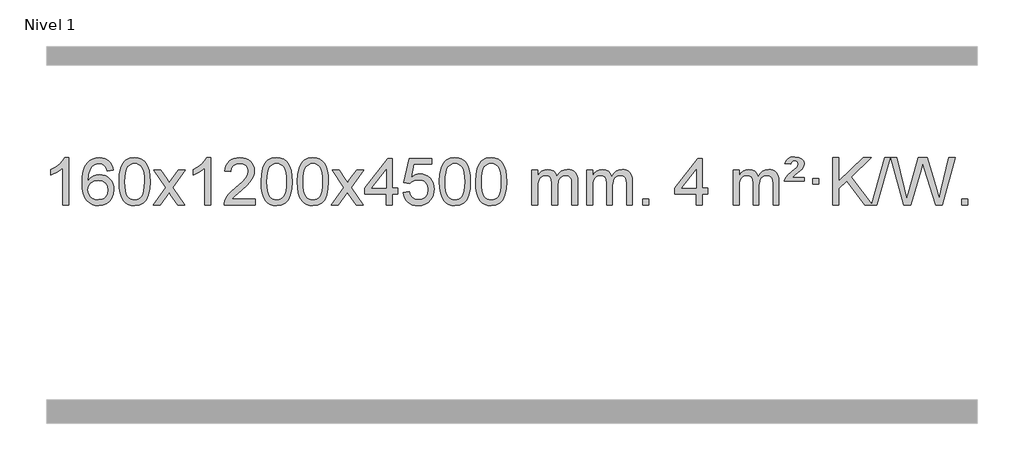
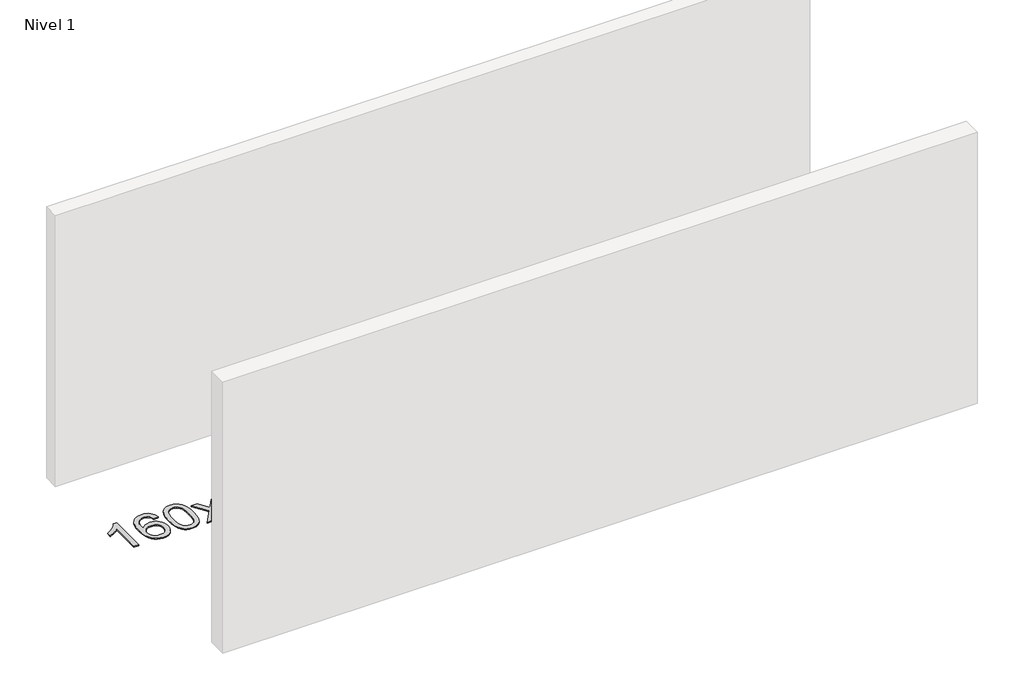
# One storey, part 3 of 7: 1 proxy.
"""IFC4 building model written with IfcOpenShell, lengths in millimetres."""

from ifc_helpers import new_model, si_unit, origin, origin_with_axes, place, context, project, spatial, polyline, outline, extrude, element, save

model = new_model("IFC4")

# Units and contexts
model_context = context("Model", 3, world=origin())
ifc_project = project(units=[si_unit("LENGTHUNIT", "METRE", prefix="MILLI")], contexts=[model_context])

# Site, building, storey
site = spatial("IfcSite", under=ifc_project)
building = spatial("IfcBuilding", under=site)
storey = spatial("IfcBuildingStorey", under=building, Name="Nivel 1", Elevation=0.0)

# Proxy
placement = place(None, origin())
element("IfcBuildingElementProxy", 1, Name="Texto de modelo 1", ObjectType="Texto de modelo 1", at=placement, inside=storey, context=model_context, shape_type="SweptSolid", body=[
    extrude(outline(polyline([(-43.1563615, -9395.579453), (-93.3845166, -9395.579453), (-93.3845166, -9082.4382987), (-114.3537903, -9099.3976587), (-140.9639213, -9116.3324932), (-193.8408268, -9141.6918254), (-193.8408268, -9094.2105225), (-154.3916142, -9072.7507395), (-120.2153768, -9047.219729), (-93.274152, -9020.0700378), (-75.5299771, -8993.7542124), (-43.1563615, -8993.7542124), (-43.1563615, -9395.579453)])), origin_with_axes(), (0.0, 0.0, 1.0), 10.0),
    extrude(outline(polyline([(333.5548015, -9100.4890419), (283.3266464, -9106.7675613), (275.2332425, -9081.874213), (264.2948846, -9064.8780648), (241.5107263, -9049.2062918), (213.9686276, -9043.9823675), (190.6203837, -9047.0235253), (168.6455658, -9056.1469988), (149.7732195, -9075.3627017), (134.3589639, -9101.8134171), (123.9479034, -9139.227016), (120.0851424, -9191.3313693), (140.2328131, -9167.8237098), (164.3781347, -9151.2567573), (191.1722066, -9141.434308), (219.2661283, -9138.1601582), (243.3991872, -9140.398107), (265.6683107, -9147.1119534), (286.0734987, -9158.3016975), (304.6147512, -9173.9673391), (320.0228755, -9193.1769106), (331.0286785, -9214.9984443), (337.6321603, -9239.4319401), (339.8333209, -9266.4773982), (335.6885171, -9302.4439945), (323.2541057, -9335.786366), (303.5601562, -9364.0642287), (277.6367382, -9384.8372987), (246.6610743, -9397.602804), (211.8103866, -9401.8579724), (181.8678579, -9399.0375437), (154.8254655, -9390.5762579), (130.6832096, -9376.4741147), (109.4410901, -9356.7311143), (92.1230451, -9330.5133908), (79.753013, -9296.9870783), (72.3309938, -9256.1521768), (69.8569874, -9208.0086864), (72.6038396, -9154.0342663), (80.8443963, -9107.9693092), (94.5786574, -9069.8138149), (113.8066231, -9039.5677835), (134.6471381, -9019.5243462), (158.8108538, -9005.2076052), (186.2977702, -8996.6175606), (217.1078873, -8993.7542124), (240.2415334, -8995.5261773), (261.1801503, -9000.8420722), (279.923738, -9009.7018969), (296.4722964, -9022.1056515), (310.3782358, -9037.6364031), (321.1939665, -9055.8772186), (328.9194884, -9076.8280983), (333.5548015, -9100.4890419)]), holes=[polyline([(120.0851424, -9265.6925832), (122.9914102, -9287.9494439), (131.7102135, -9309.2007605), (145.2482709, -9327.472233), (162.6123011, -9340.7895612), (183.5693121, -9348.9197533), (207.886312, -9351.6298173), (241.0324797, -9346.0134855), (254.9476162, -9338.9930708), (267.0907877, -9329.1644901), (276.9408281, -9316.9262824), (283.9765713, -9302.6769865), (289.6051658, -9268.1451299), (284.0501477, -9234.9989621), (277.106375, -9221.3781312), (267.3850933, -9209.725469), (255.2051336, -9200.3904634), (240.8853269, -9193.7226022), (205.8261728, -9188.3883133), (172.729056, -9193.7226022), (145.0520672, -9209.725469), (134.1290376, -9221.2248471), (126.3268736, -9234.3858254), (121.6455752, -9249.2084042), (120.0851424, -9265.6925832)])]), origin_with_axes(), (0.0, 0.0, 1.0), 10.0),
    extrude(outline(polyline([(383.7829566, -9197.9041943), (387.4740393, -9133.5861588), (398.5472873, -9082.2911459), (416.8923362, -9043.2343407), (428.7503991, -9028.0009605), (442.3988212, -9015.6309284), (457.8835875, -9006.0598651), (475.2506833, -8999.2233914), (515.6318637, -8993.7542124), (546.5830022, -8996.991574), (574.2967792, -9006.7036586), (597.4733449, -9022.5103217), (614.8128496, -9044.0314184), (627.9094486, -9071.0830078), (638.3572973, -9103.4811488), (645.1999024, -9144.6226186), (647.4807707, -9197.9041943), (643.8264762, -9261.8543477), (632.8635928, -9313.0267333), (614.6289086, -9352.1203266), (602.7984367, -9367.3996922), (589.1592118, -9379.8341036), (573.6560514, -9389.4695462), (556.2337732, -9396.3520052), (515.6318637, -9401.8579724), (487.9671376, -9399.4667394), (463.4416713, -9392.2930405), (442.0554646, -9380.3368757), (423.8085177, -9363.5982449), (406.2973347, -9333.3399508), (393.7893469, -9295.6381776), (386.2845542, -9250.4929255), (383.7829566, -9197.9041943)]), holes=[polyline([(434.0111117, -9197.8060924), (435.4826396, -9241.4706195), (439.8972236, -9276.8148822), (447.2548635, -9303.8388804), (457.5555594, -9322.5426142), (470.0144963, -9335.2682656), (483.8468593, -9344.3580165), (499.0526484, -9349.8118671), (515.6318637, -9351.6298173), (532.2110789, -9349.8057357), (547.416868, -9344.3334911), (561.2492311, -9335.2130833), (573.708168, -9322.4445124), (584.0088638, -9303.7101217), (591.3665037, -9276.6922549), (595.7810877, -9241.3909118), (597.2526157, -9197.8060924), (595.8301386, -9155.2973278), (591.5627075, -9120.5753989), (584.4503222, -9093.6403055), (574.4929829, -9074.4920476), (562.2425125, -9061.1440625), (548.2507339, -9051.6097875), (532.5176472, -9045.8892225), (515.0432525, -9043.9823675), (498.5498764, -9045.6623619), (483.6016046, -9050.7023452), (470.1984373, -9059.1023175), (458.3403743, -9070.8622786), (447.6963219, -9091.708925), (440.0934273, -9119.8151094), (435.5316906, -9155.1808319), (434.0111117, -9197.8060924)])]), origin_with_axes(), (0.0, 0.0, 1.0), 10.0),
    extrude(outline(polyline([(672.5948483, -9395.579453), (779.918289, -9247.2494325), (678.8733677, -9100.4890419), (739.3041167, -9100.4890419), (788.0607438, -9171.122385), (810.8203766, -9204.4770192), (830.5388515, -9177.2047007), (886.0645073, -9100.4890419), (946.4952564, -9100.4890419), (840.3490381, -9247.2494325), (942.5711818, -9395.579453), (882.1404327, -9395.579453), (820.6305631, -9306.4048574), (809.3488486, -9290.1199477), (733.0255973, -9395.579453), (672.5948483, -9395.579453)])), origin_with_axes(), (0.0, 0.0, 1.0), 10.0),
    extrude(outline(polyline([(1162.3193603, -9395.579453), (1112.0912052, -9395.579453), (1112.0912052, -9082.4382987), (1091.1219315, -9099.3976587), (1064.5118005, -9116.3324932), (1011.634895, -9141.6918254), (1011.634895, -9094.2105225), (1051.0841076, -9072.7507395), (1085.260345, -9047.219729), (1112.2015698, -9020.0700378), (1129.9457447, -8993.7542124), (1162.3193603, -8993.7542124), (1162.3193603, -9395.579453)])), origin_with_axes(), (0.0, 0.0, 1.0), 10.0),
    extrude(outline(polyline([(1539.0305233, -9345.3512979), (1539.0305233, -9395.579453), (1275.3327092, -9395.579453), (1276.4363552, -9377.8965918), (1280.7283118, -9360.9494945), (1293.1136723, -9333.8856424), (1311.2379919, -9307.6311307), (1337.4557154, -9280.1503456), (1374.1212876, -9249.4076736), (1428.3225682, -9201.2641831), (1460.8433366, -9165.7267824), (1477.1037208, -9136.884834), (1482.5238489, -9108.8277005), (1477.4102891, -9083.6768347), (1462.0696099, -9062.7688747), (1438.488374, -9048.6789943), (1408.6531442, -9043.9823675), (1377.321861, -9048.5686297), (1352.9803356, -9062.3274163), (1337.2717744, -9084.1796068), (1331.8393836, -9113.0460807), (1281.6112286, -9106.7675613), (1285.9307763, -9080.838012), (1293.7881226, -9058.1826125), (1305.1832674, -9038.8013627), (1320.1162107, -9022.6942627), (1338.243596, -9010.0329907), (1359.2220668, -9000.989225), (1383.051623, -8995.5629655), (1409.7322647, -8993.7542124), (1436.6520297, -8995.7653006), (1460.6103447, -9001.7985654), (1481.6072095, -9011.8540066), (1499.6426244, -9025.9316242), (1514.1279779, -9042.9890861), (1524.474659, -9061.9840598), (1530.6826677, -9082.9165453), (1532.7520039, -9105.7865427), (1530.5201865, -9129.8092369), (1523.8247342, -9153.4149983), (1511.9421457, -9177.4254299), (1494.1489199, -9202.6621347), (1465.7852181, -9232.7916701), (1422.1912016, -9271.4805933), (1364.4092029, -9319.795762), (1341.747672, -9345.3512979), (1539.0305233, -9345.3512979)])), origin_with_axes(), (0.0, 0.0, 1.0), 10.0),
    extrude(outline(polyline([(1589.2586784, -9197.9041943), (1592.9497611, -9133.5861588), (1604.0230091, -9082.2911459), (1622.368058, -9043.2343407), (1634.2261209, -9028.0009605), (1647.874543, -9015.6309284), (1663.3593093, -9006.0598651), (1680.7264051, -8999.2233914), (1721.1075855, -8993.7542124), (1752.058724, -8996.991574), (1779.772501, -9006.7036586), (1802.9490667, -9022.5103217), (1820.2885714, -9044.0314184), (1833.3851704, -9071.0830078), (1843.833019, -9103.4811488), (1850.6756242, -9144.6226186), (1852.9564925, -9197.9041943), (1849.302198, -9261.8543477), (1838.3393146, -9313.0267333), (1820.1046304, -9352.1203266), (1808.2741585, -9367.3996922), (1794.6349336, -9379.8341036), (1779.1317731, -9389.4695462), (1761.709495, -9396.3520052), (1721.1075855, -9401.8579724), (1693.4428594, -9399.4667394), (1668.9173931, -9392.2930405), (1647.5311864, -9380.3368757), (1629.2842395, -9363.5982449), (1611.7730565, -9333.3399508), (1599.2650687, -9295.6381776), (1591.760276, -9250.4929255), (1589.2586784, -9197.9041943)]), holes=[polyline([(1639.4868335, -9197.8060924), (1640.9583614, -9241.4706195), (1645.3729454, -9276.8148822), (1652.7305853, -9303.8388804), (1663.0312812, -9322.5426142), (1675.4902181, -9335.2682656), (1689.3225811, -9344.3580165), (1704.5283702, -9349.8118671), (1721.1075855, -9351.6298173), (1737.6868007, -9349.8057357), (1752.8925898, -9344.3334911), (1766.7249529, -9335.2130833), (1779.1838898, -9322.4445124), (1789.4845856, -9303.7101217), (1796.8422255, -9276.6922549), (1801.2568095, -9241.3909118), (1802.7283375, -9197.8060924), (1801.3058604, -9155.2973278), (1797.0384293, -9120.5753989), (1789.926044, -9093.6403055), (1779.9687047, -9074.4920476), (1767.7182342, -9061.1440625), (1753.7264557, -9051.6097875), (1737.993369, -9045.8892225), (1720.5189743, -9043.9823675), (1704.0255981, -9045.6623619), (1689.0773264, -9050.7023452), (1675.6741591, -9059.1023175), (1663.8160961, -9070.8622786), (1653.1720437, -9091.708925), (1645.5691491, -9119.8151094), (1641.0074124, -9155.1808319), (1639.4868335, -9197.8060924)])]), origin_with_axes(), (0.0, 0.0, 1.0), 10.0),
    extrude(outline(polyline([(1896.9061282, -9197.9041943), (1900.5972109, -9133.5861588), (1911.670459, -9082.2911459), (1930.0155078, -9043.2343407), (1941.8735708, -9028.0009605), (1955.5219928, -9015.6309284), (1971.0067591, -9006.0598651), (1988.373855, -8999.2233914), (2028.7550353, -8993.7542124), (2059.7061738, -8996.991574), (2087.4199508, -9006.7036586), (2110.5965165, -9022.5103217), (2127.9360212, -9044.0314184), (2141.0326202, -9071.0830078), (2151.4804689, -9103.4811488), (2158.323074, -9144.6226186), (2160.6039424, -9197.9041943), (2156.9496479, -9261.8543477), (2145.9867644, -9313.0267333), (2127.7520802, -9352.1203266), (2115.9216084, -9367.3996922), (2102.2823834, -9379.8341036), (2086.779223, -9389.4695462), (2069.3569448, -9396.3520052), (2028.7550353, -9401.8579724), (2001.0903093, -9399.4667394), (1976.5648429, -9392.2930405), (1955.1786363, -9380.3368757), (1936.9316893, -9363.5982449), (1919.4205063, -9333.3399508), (1906.9125185, -9295.6381776), (1899.4077258, -9250.4929255), (1896.9061282, -9197.9041943)]), holes=[polyline([(1947.1342833, -9197.8060924), (1948.6058113, -9241.4706195), (1953.0203952, -9276.8148822), (1960.3780351, -9303.8388804), (1970.678731, -9322.5426142), (1983.1376679, -9335.2682656), (1996.9700309, -9344.3580165), (2012.17582, -9349.8118671), (2028.7550353, -9351.6298173), (2045.3342505, -9349.8057357), (2060.5400397, -9344.3334911), (2074.3724027, -9335.2130833), (2086.8313396, -9322.4445124), (2097.1320355, -9303.7101217), (2104.4896754, -9276.6922549), (2108.9042593, -9241.3909118), (2110.3757873, -9197.8060924), (2108.9533102, -9155.2973278), (2104.6858791, -9120.5753989), (2097.5734939, -9093.6403055), (2087.6161545, -9074.4920476), (2075.3656841, -9061.1440625), (2061.3739055, -9051.6097875), (2045.6408189, -9045.8892225), (2028.1664241, -9043.9823675), (2011.673048, -9045.6623619), (1996.7247762, -9050.7023452), (1983.3216089, -9059.1023175), (1971.4635459, -9070.8622786), (1960.8194935, -9091.708925), (1953.2165989, -9119.8151094), (1948.6548622, -9155.1808319), (1947.1342833, -9197.8060924)])]), origin_with_axes(), (0.0, 0.0, 1.0), 10.0),
    extrude(outline(polyline([(2185.7180199, -9395.579453), (2293.0414606, -9247.2494325), (2191.9965393, -9100.4890419), (2252.4272884, -9100.4890419), (2301.1839155, -9171.122385), (2323.9435482, -9204.4770192), (2343.6620232, -9177.2047007), (2399.187679, -9100.4890419), (2459.618428, -9100.4890419), (2353.4722097, -9247.2494325), (2455.6943534, -9395.579453), (2395.2636044, -9395.579453), (2333.7537348, -9306.4048574), (2322.4720202, -9290.1199477), (2246.148769, -9395.579453), (2185.7180199, -9395.579453)])), origin_with_axes(), (0.0, 0.0, 1.0), 10.0),
    extrude(outline(polyline([(2650.3284543, -9395.579453), (2650.3284543, -9301.4016622), (2468.2513922, -9301.4016622), (2468.2513922, -9251.1735072), (2662.8854931, -9000.0327318), (2700.5566094, -9000.0327318), (2700.5566094, -9251.1735072), (2750.7847645, -9251.1735072), (2750.7847645, -9301.4016622), (2700.5566094, -9301.4016622), (2700.5566094, -9395.579453), (2650.3284543, -9395.579453)]), holes=[polyline([(2650.3284543, -9251.1735072), (2650.3284543, -9095.9763561), (2530.0555674, -9251.1735072), (2650.3284543, -9251.1735072)])]), origin_with_axes(), (0.0, 0.0, 1.0), 10.0),
    extrude(outline(polyline([(2794.7344002, -9288.8446235), (2844.9625553, -9282.5661041), (2854.1841306, -9312.7201649), (2870.2728365, -9334.3148381), (2893.1550966, -9347.3010725), (2922.7573345, -9351.6298173), (2941.8871983, -9350.1245668), (2958.7607191, -9345.6088153), (2973.377897, -9338.0825628), (2985.7387321, -9327.5458094), (2995.5673127, -9314.519721), (3002.5877275, -9299.5254641), (3008.2040592, -9263.6324441), (3002.9433467, -9229.8363514), (2996.3674561, -9215.9181493), (2987.1612091, -9203.9865099), (2975.2939491, -9194.4154467), (2960.7350191, -9187.5789729), (2923.5421494, -9182.1097939), (2899.1760986, -9184.2925604), (2879.4453609, -9190.8408599), (2863.6877488, -9200.8717757), (2851.2410746, -9213.5023908), (2801.0129196, -9207.2238715), (2844.9625553, -9000.0327318), (3039.5966562, -9000.0327318), (3039.5966562, -9050.2608869), (2885.5767275, -9050.2608869), (2864.092419, -9160.919791), (2881.8181998, -9148.2155994), (2899.9731763, -9139.1411769), (2918.5573484, -9133.6965234), (2937.5707162, -9131.8816388), (2962.0318032, -9134.1318504), (2984.500196, -9140.882485), (3004.9758947, -9152.1335427), (3023.4588993, -9167.8850234), (3038.7597246, -9187.1743027), (3049.6888856, -9209.038756), (3056.2463821, -9233.4783832), (3058.4322143, -9260.4931844), (3056.4640457, -9286.5147042), (3050.5595396, -9310.7213394), (3040.7186963, -9333.1130902), (3026.9415155, -9353.6899565), (3006.0703437, -9374.7634634), (2981.7165556, -9389.8159684), (2953.8801513, -9398.8474714), (2922.5611308, -9401.8579724), (2896.6407785, -9399.9235262), (2873.2281552, -9394.1201877), (2852.3232608, -9384.447957), (2833.9260954, -9370.9068338), (2818.6191387, -9354.1712688), (2806.9848706, -9334.915712), (2799.0232911, -9313.1401636), (2794.7344002, -9288.8446235)])), origin_with_axes(), (0.0, 0.0, 1.0), 10.0),
    extrude(outline(polyline([(3102.38185, -9197.9041943), (3106.0729327, -9133.5861588), (3117.1461808, -9082.2911459), (3135.4912296, -9043.2343407), (3147.3492926, -9028.0009605), (3160.9977146, -9015.6309284), (3176.4824809, -9006.0598651), (3193.8495767, -8999.2233914), (3234.2307571, -8993.7542124), (3265.1818956, -8996.991574), (3292.8956726, -9006.7036586), (3316.0722383, -9022.5103217), (3333.411743, -9044.0314184), (3346.508342, -9071.0830078), (3356.9561907, -9103.4811488), (3363.7987958, -9144.6226186), (3366.0796642, -9197.9041943), (3362.4253697, -9261.8543477), (3351.4624862, -9313.0267333), (3333.227802, -9352.1203266), (3321.3973302, -9367.3996922), (3307.7581052, -9379.8341036), (3292.2549448, -9389.4695462), (3274.8326666, -9396.3520052), (3234.2307571, -9401.8579724), (3206.566031, -9399.4667394), (3182.0405647, -9392.2930405), (3160.6543581, -9380.3368757), (3142.4074111, -9363.5982449), (3124.8962281, -9333.3399508), (3112.3882403, -9295.6381776), (3104.8834476, -9250.4929255), (3102.38185, -9197.9041943)]), holes=[polyline([(3152.6100051, -9197.8060924), (3154.0815331, -9241.4706195), (3158.496117, -9276.8148822), (3165.8537569, -9303.8388804), (3176.1544528, -9322.5426142), (3188.6133897, -9335.2682656), (3202.4457527, -9344.3580165), (3217.6515418, -9349.8118671), (3234.2307571, -9351.6298173), (3250.8099723, -9349.8057357), (3266.0157615, -9344.3334911), (3279.8481245, -9335.2130833), (3292.3070614, -9322.4445124), (3302.6077573, -9303.7101217), (3309.9653972, -9276.6922549), (3314.3799811, -9241.3909118), (3315.8515091, -9197.8060924), (3314.429032, -9155.2973278), (3310.1616009, -9120.5753989), (3303.0492157, -9093.6403055), (3293.0918763, -9074.4920476), (3280.8414059, -9061.1440625), (3266.8496273, -9051.6097875), (3251.1165407, -9045.8892225), (3233.6421459, -9043.9823675), (3217.1487698, -9045.6623619), (3202.200498, -9050.7023452), (3188.7973307, -9059.1023175), (3176.9392677, -9070.8622786), (3166.2952153, -9091.708925), (3158.6923207, -9119.8151094), (3154.130584, -9155.1808319), (3152.6100051, -9197.8060924)])]), origin_with_axes(), (0.0, 0.0, 1.0), 10.0),
    extrude(outline(polyline([(3410.0292998, -9197.9041943), (3413.7203825, -9133.5861588), (3424.7936306, -9082.2911459), (3443.1386794, -9043.2343407), (3454.9967424, -9028.0009605), (3468.6451644, -9015.6309284), (3484.1299307, -9006.0598651), (3501.4970266, -8999.2233914), (3541.8782069, -8993.7542124), (3572.8293454, -8996.991574), (3600.5431224, -9006.7036586), (3623.7196881, -9022.5103217), (3641.0591928, -9044.0314184), (3654.1557918, -9071.0830078), (3664.6036405, -9103.4811488), (3671.4462456, -9144.6226186), (3673.727114, -9197.9041943), (3670.0728195, -9261.8543477), (3659.109936, -9313.0267333), (3640.8752518, -9352.1203266), (3629.04478, -9367.3996922), (3615.405555, -9379.8341036), (3599.9023946, -9389.4695462), (3582.4801165, -9396.3520052), (3541.8782069, -9401.8579724), (3514.2134809, -9399.4667394), (3489.6880145, -9392.2930405), (3468.3018079, -9380.3368757), (3450.0548609, -9363.5982449), (3432.543678, -9333.3399508), (3420.0356901, -9295.6381776), (3412.5308974, -9250.4929255), (3410.0292998, -9197.9041943)]), holes=[polyline([(3460.2574549, -9197.8060924), (3461.7289829, -9241.4706195), (3466.1435668, -9276.8148822), (3473.5012067, -9303.8388804), (3483.8019026, -9322.5426142), (3496.2608395, -9335.2682656), (3510.0932025, -9344.3580165), (3525.2989917, -9349.8118671), (3541.8782069, -9351.6298173), (3558.4574222, -9349.8057357), (3573.6632113, -9344.3334911), (3587.4955743, -9335.2130833), (3599.9545112, -9322.4445124), (3610.2552071, -9303.7101217), (3617.612847, -9276.6922549), (3622.0274309, -9241.3909118), (3623.4989589, -9197.8060924), (3622.0764819, -9155.2973278), (3617.8090507, -9120.5753989), (3610.6966655, -9093.6403055), (3600.7393261, -9074.4920476), (3588.4888557, -9061.1440625), (3574.4970772, -9051.6097875), (3558.7639905, -9045.8892225), (3541.2895957, -9043.9823675), (3524.7962196, -9045.6623619), (3509.8479479, -9050.7023452), (3496.4447805, -9059.1023175), (3484.5867175, -9070.8622786), (3473.9426651, -9091.708925), (3466.3397706, -9119.8151094), (3461.7780338, -9155.1808319), (3460.2574549, -9197.8060924)])]), origin_with_axes(), (0.0, 0.0, 1.0), 10.0),
    extrude(outline(polyline([(3887.1967731, -9395.579453), (3887.1967731, -9100.4890419), (3937.4249281, -9100.4890419), (3937.4249281, -9149.0494653), (3952.5326154, -9126.7435537), (3971.9567847, -9109.2691589), (3995.0352486, -9097.9751816), (4021.1058193, -9094.2105225), (4049.0403255, -9098.048758), (4071.4320762, -9109.5634645), (4088.1584443, -9127.9943524), (4099.0968023, -9152.5811324), (4117.4050629, -9127.0439906), (4138.2884975, -9108.803175), (4161.7471061, -9097.8586857), (4187.7808886, -9094.2105225), (4207.8887053, -9095.7280358), (4225.537844, -9100.2805755), (4240.7283047, -9107.8681416), (4253.4600875, -9118.4907342), (4263.5247257, -9132.2709806), (4270.713753, -9149.3315082), (4275.0271694, -9169.6723168), (4276.4649749, -9193.2934066), (4276.4649749, -9395.579453), (4226.2368198, -9395.579453), (4226.2368198, -9214.875817), (4225.0718602, -9189.8230531), (4221.5769812, -9172.9372695), (4215.0286817, -9161.3735121), (4204.7034604, -9152.2868268), (4191.4229203, -9146.4007149), (4176.0086647, -9144.4386776), (4148.7976598, -9149.4663982), (4126.6143755, -9164.54956), (4118.0090025, -9176.1194488), (4111.8623075, -9190.7182326), (4106.9449515, -9229.0024856), (4106.9449515, -9395.579453), (4056.7167964, -9395.579453), (4056.7167964, -9209.2840106), (4053.8105287, -9180.8835206), (4045.0917254, -9160.6254854), (4029.7510462, -9148.4853796), (4006.9791507, -9144.4386776), (3987.6285577, -9147.1364789), (3969.7985437, -9155.2298828), (3955.0832639, -9168.5226856), (3945.0768736, -9186.8186835), (3939.3379145, -9212.2025411), (3937.4249281, -9246.7589232), (3937.4249281, -9395.579453), (3887.1967731, -9395.579453)])), origin_with_axes(), (0.0, 0.0, 1.0), 10.0),
    extrude(outline(polyline([(4351.8072075, -9395.579453), (4351.8072075, -9100.4890419), (4402.0353626, -9100.4890419), (4402.0353626, -9149.0494653), (4417.1430498, -9126.7435537), (4436.5672192, -9109.2691589), (4459.645683, -9097.9751816), (4485.7162537, -9094.2105225), (4513.6507599, -9098.048758), (4536.0425107, -9109.5634645), (4552.7688787, -9127.9943524), (4563.7072367, -9152.5811324), (4582.0154973, -9127.0439906), (4602.8989319, -9108.803175), (4626.3575405, -9097.8586857), (4652.391323, -9094.2105225), (4672.4991397, -9095.7280358), (4690.1482785, -9100.2805755), (4705.3387392, -9107.8681416), (4718.0705219, -9118.4907342), (4728.1351602, -9132.2709806), (4735.3241875, -9149.3315082), (4739.6376039, -9169.6723168), (4741.0754093, -9193.2934066), (4741.0754093, -9395.579453), (4690.8472543, -9395.579453), (4690.8472543, -9214.875817), (4689.6822946, -9189.8230531), (4686.1874157, -9172.9372695), (4679.6391161, -9161.3735121), (4669.3138948, -9152.2868268), (4656.0333548, -9146.4007149), (4640.6190992, -9144.4386776), (4613.4080943, -9149.4663982), (4591.22481, -9164.54956), (4582.619437, -9176.1194488), (4576.472742, -9190.7182326), (4571.555386, -9229.0024856), (4571.555386, -9395.579453), (4521.3272309, -9395.579453), (4521.3272309, -9209.2840106), (4518.4209631, -9180.8835206), (4509.7021598, -9160.6254854), (4494.3614806, -9148.4853796), (4471.5895851, -9144.4386776), (4452.2389922, -9147.1364789), (4434.4089782, -9155.2298828), (4419.6936983, -9168.5226856), (4409.6873081, -9186.8186835), (4403.948349, -9212.2025411), (4402.0353626, -9246.7589232), (4402.0353626, -9395.579453), (4351.8072075, -9395.579453)])), origin_with_axes(), (0.0, 0.0, 1.0), 10.0),
    extrude(outline(polyline([(4828.9746807, -9395.579453), (4828.9746807, -9345.3512979), (4879.2028358, -9345.3512979), (4879.2028358, -9395.579453), (4828.9746807, -9395.579453)])), origin_with_axes(), (0.0, 0.0, 1.0), 10.0),
    extrude(outline(polyline([(5281.0280764, -9395.579453), (5281.0280764, -9301.4016622), (5098.9510142, -9301.4016622), (5098.9510142, -9251.1735072), (5293.5851152, -9000.0327318), (5331.2562315, -9000.0327318), (5331.2562315, -9251.1735072), (5381.4843865, -9251.1735072), (5381.4843865, -9301.4016622), (5331.2562315, -9301.4016622), (5331.2562315, -9395.579453), (5281.0280764, -9395.579453)]), holes=[polyline([(5281.0280764, -9251.1735072), (5281.0280764, -9095.9763561), (5160.7551894, -9251.1735072), (5281.0280764, -9251.1735072)])]), origin_with_axes(), (0.0, 0.0, 1.0), 10.0),
    extrude(outline(polyline([(5594.9540456, -9395.579453), (5594.9540456, -9100.4890419), (5645.1822007, -9100.4890419), (5645.1822007, -9149.0494653), (5660.2898879, -9126.7435537), (5679.7140573, -9109.2691589), (5702.7925211, -9097.9751816), (5728.8630918, -9094.2105225), (5756.797598, -9098.048758), (5779.1893488, -9109.5634645), (5795.9157168, -9127.9943524), (5806.8540748, -9152.5811324), (5825.1623355, -9127.0439906), (5846.04577, -9108.803175), (5869.5043786, -9097.8586857), (5895.5381611, -9094.2105225), (5915.6459778, -9095.7280358), (5933.2951166, -9100.2805755), (5948.4855773, -9107.8681416), (5961.21736, -9118.4907342), (5971.2819983, -9132.2709806), (5978.4710256, -9149.3315082), (5982.784442, -9169.6723168), (5984.2222474, -9193.2934066), (5984.2222474, -9395.579453), (5933.9940924, -9395.579453), (5933.9940924, -9214.875817), (5932.8291327, -9189.8230531), (5929.3342538, -9172.9372695), (5922.7859542, -9161.3735121), (5912.4607329, -9152.2868268), (5899.1801929, -9146.4007149), (5883.7659373, -9144.4386776), (5856.5549324, -9149.4663982), (5834.3716481, -9164.54956), (5825.7662751, -9176.1194488), (5819.6195801, -9190.7182326), (5814.7022241, -9229.0024856), (5814.7022241, -9395.579453), (5764.474069, -9395.579453), (5764.474069, -9209.2840106), (5761.5678012, -9180.8835206), (5752.8489979, -9160.6254854), (5737.5083187, -9148.4853796), (5714.7364232, -9144.4386776), (5695.3858303, -9147.1364789), (5677.5558163, -9155.2298828), (5662.8405364, -9168.5226856), (5652.8341462, -9186.8186835), (5647.0951871, -9212.2025411), (5645.1822007, -9246.7589232), (5645.1822007, -9395.579453), (5594.9540456, -9395.579453)])), origin_with_axes(), (0.0, 0.0, 1.0), 10.0),
    extrude(outline(polyline([(6028.1718831, -9194.6668327), (6031.9978559, -9178.8479069), (6040.3365144, -9162.9799302), (6061.8453484, -9137.8413272), (6093.8020311, -9110.1030247), (6137.9478705, -9072.726214), (6145.0847812, -9061.1992448), (6147.4637514, -9049.3779701), (6145.5752905, -9037.2869152), (6139.9099078, -9027.5012541), (6130.5411796, -9021.026531), (6117.5426825, -9018.8682899), (6105.108271, -9020.4869707), (6096.2545777, -9025.343013), (6089.8289055, -9034.8098431), (6084.6785576, -9050.2608869), (6034.4504025, -9043.9823675), (6045.2906586, -9018.7701881), (6061.9189248, -9001.2099542), (6085.6841017, -8990.9092583), (6117.9350899, -8987.475693), (6153.7177453, -8991.6082341), (6178.4639409, -9004.0058573), (6192.8849151, -9022.3386434), (6197.6919065, -9044.2766731), (6193.5961536, -9067.1834586), (6181.308895, -9088.8149199), (6160.7810797, -9108.6314968), (6124.3117112, -9136.6886303), (6098.7071243, -9163.2742358), (6197.6919065, -9163.2742358), (6197.6919065, -9194.6668327), (6028.1718831, -9194.6668327)])), origin_with_axes(), (0.0, 0.0, 1.0), 10.0),
    extrude(outline(polyline([(6273.0341391, -9219.7809102), (6273.0341391, -9169.5527552), (6323.2622942, -9169.5527552), (6323.2622942, -9219.7809102), (6273.0341391, -9219.7809102)])), origin_with_axes(), (0.0, 0.0, 1.0), 10.0),
    extrude(outline(polyline([(6713.9039221, -9395.579453), (6560.4726047, -9192.9009991), (6492.7823176, -9257.4520265), (6492.7823176, -9395.579453), (6442.5541625, -9395.579453), (6442.5541625, -8993.7542124), (6492.7823176, -8993.7542124), (6492.7823176, -9190.4484525), (6698.7962349, -8993.7542124), (6769.0371705, -8993.7542124), (6596.0835818, -9158.9577537), (6770.7371917, -9389.5349332), (6882.0505194, -8993.7542124), (6927.3735812, -8993.7542124), (6814.3602323, -9395.579453), (6775.3156899, -9395.579453), (6769.0371705, -9395.579453), (6713.9039221, -9395.579453)])), origin_with_axes(), (0.0, 0.0, 1.0), 10.0),
    extrude(outline(polyline([(7041.8584581, -9395.579453), (6932.2786745, -8993.7542124), (6984.0764594, -8993.7542124), (7047.6464682, -9257.844434), (7067.2668412, -9339.3670841), (7088.2606404, -9267.2622131), (7167.9193551, -8993.7542124), (7242.5748747, -8993.7542124), (7300.4549752, -9192.0180823), (7325.2502217, -9265.5944814), (7343.5216941, -9339.3670841), (7362.553456, -9260.1988788), (7426.712076, -8993.7542124), (7478.5098609, -8993.7542124), (7368.8319754, -9395.579453), (7315.170255, -9395.579453), (7218.8342232, -9085.5775584), (7205.3942677, -9042.3146358), (7190.2865804, -9094.4067263), (7102.4854109, -9395.579453), (7041.8584581, -9395.579453)])), origin_with_axes(), (0.0, 0.0, 1.0), 10.0),
    extrude(outline(polyline([(7535.0165354, -9395.579453), (7535.0165354, -9345.3512979), (7585.2446904, -9345.3512979), (7585.2446904, -9395.579453), (7535.0165354, -9395.579453)])), origin_with_axes(), (0.0, 0.0, 1.0), 10.0),
])

save(model, "model.ifc")
